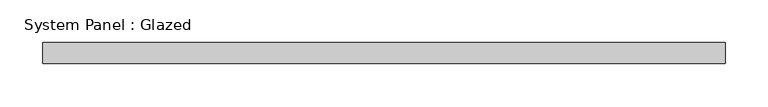
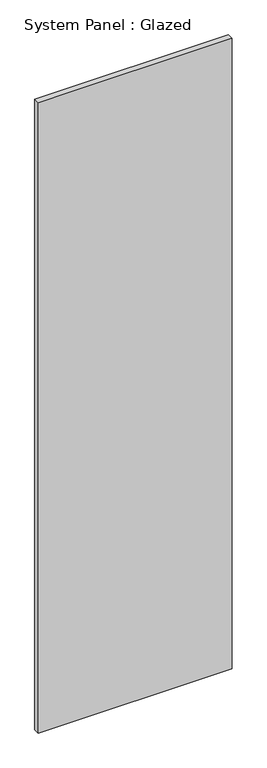
"""IFC4 building model written with IfcOpenShell, lengths in millimetres: plate geometry, System Panel : Glazed."""

from ifc_helpers import new_model, si_unit, origin, origin_with_axes, place, context, project, spatial, polyline, outline, extrude, source, transform, mapped, element, save


def system_panel_glazed_c0a25129(model_context):
    return source(origin(), model_context, "Body", "SweptSolid", [
        extrude(outline(polyline([(400.0, -37.5), (-400.0, -37.5), (-400.0, -12.5), (400.0, -12.5), (400.0, -37.5)])), origin_with_axes(), (0.0, 0.0, 1.0), 2750.0),
    ])


if __name__ == "__main__":
    model = new_model("IFC4")
    model_context = context("Model", 3, world=origin())
    ifc_project = project(units=[si_unit("LENGTHUNIT", "METRE", prefix="MILLI")], contexts=[model_context])
    site = spatial("IfcSite", under=ifc_project)
    building = spatial("IfcBuilding", under=site)
    placement = place(None, origin())
    system_panel_glazed_shape = system_panel_glazed_c0a25129(model_context)
    element("IfcPlate", 1, ObjectType="System Panel : Glazed", at=placement, inside=building, context=model_context, shape_type="MappedRepresentation", body=[
        mapped(system_panel_glazed_shape, transform((0.0, 0.0, 0.0), x_axis=(1.0, 0.0, 0.0), y_axis=(0.0, 1.0, 0.0), z_axis=(0.0, 0.0, 1.0))),
    ])
    save(model, "model.ifc")
